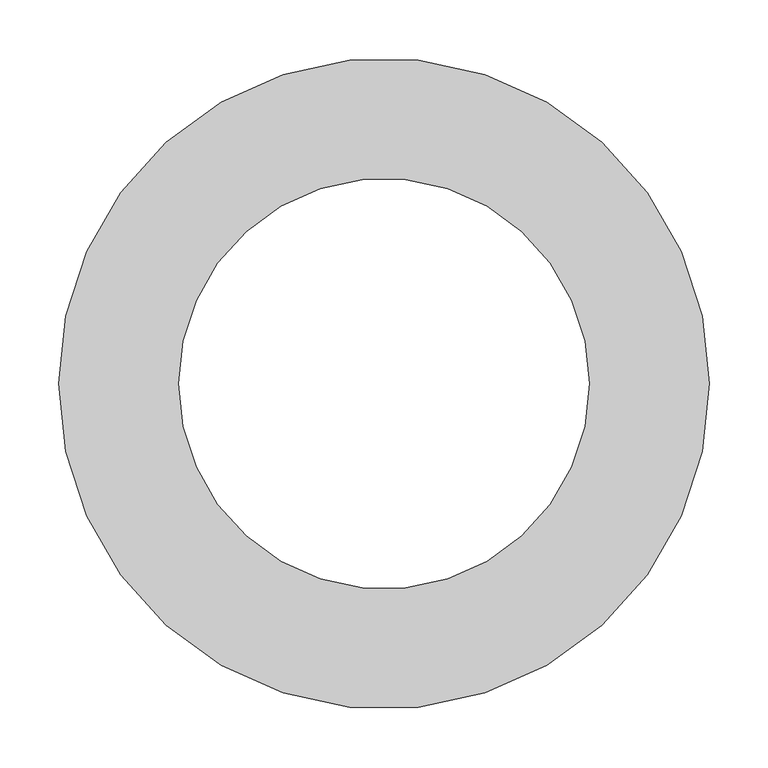
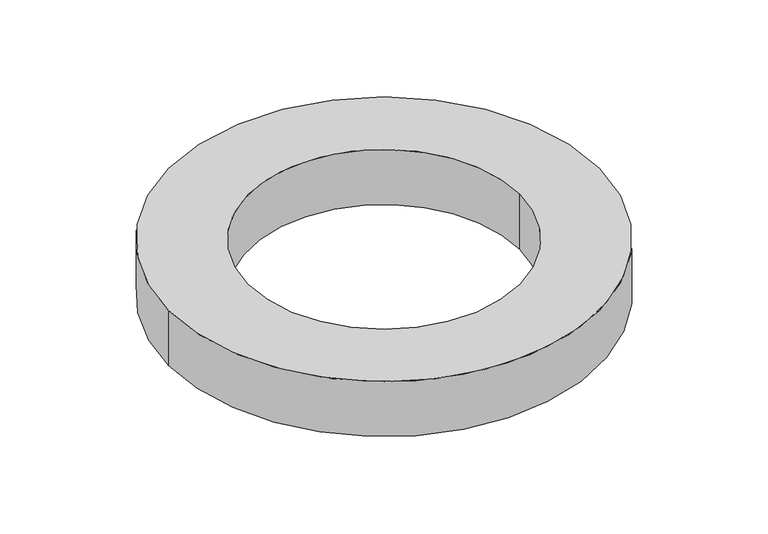
"""IFC4 building model written with IfcOpenShell, lengths in millimetres: furniture geometry."""

import ifcopenshell
import ifcopenshell.guid

model = None  # the IFC model being written
_history = None  # IfcOwnerHistory: only IFC2X3 demands one
_inside = {}  # id of a spatial element -> (the spatial element, [elements in it])
_under = {}  # id of a project, library or spatial element -> (it, [spatial elements below it])
_declared = {}  # id of a project -> (the project, [libraries it declares])
_typed = {}  # id of a type object -> (the type object, [elements of that type])
_made_of = {}  # id of a material, layer set ... -> (it, [elements and type objects made of it])


def new_model(schema):
    """Start an empty IFC model of exactly this schema.

    Asked for "IFC4X3", IfcOpenShell would pick the latest addendum, in which some entities
    have other attributes; the version numbers below select the first issue.
    IFC2X3 requires an IfcOwnerHistory on every rooted entity: one is made here for all.
    """
    global model, _history
    if schema == "IFC4X3":
        model = ifcopenshell.file(schema_version=(4, 3, 0, 0))
    else:
        model = ifcopenshell.file(schema=schema)
    _inside.clear()
    _under.clear()
    _declared.clear()
    _typed.clear()
    _made_of.clear()
    _history = None
    if model.schema == "IFC2X3":
        org = make("IfcOrganization", Name="unknown")
        user = make(
            "IfcPersonAndOrganization",
            ThePerson=make("IfcPerson", FamilyName="unknown"),
            TheOrganization=org,
        )
        app = make(
            "IfcApplication",
            ApplicationDeveloper=org,
            Version="unknown",
            ApplicationFullName="unknown",
            ApplicationIdentifier="unknown",
        )
        _history = make(
            "IfcOwnerHistory",
            OwningUser=user,
            OwningApplication=app,
            ChangeAction="ADDED",
            CreationDate=0,
        )
    return model


def make(cls, **values):
    """One entity of the class cls with the attributes given. An attribute that is None is left unset."""
    return model.create_entity(
        cls, **{name: value for name, value in values.items() if value is not None}
    )


def rooted(cls, **values):
    """An entity with a GlobalId (a new one), such as an element, a storey or a relation."""
    return make(cls, GlobalId=ifcopenshell.guid.new(), OwnerHistory=_history, **values)


def si_unit(unit_type, name, prefix=None):
    """IfcSIUnit, for example si_unit("LENGTHUNIT", "METRE", prefix="MILLI")."""
    return make("IfcSIUnit", UnitType=unit_type, Prefix=prefix, Name=name)


def assignment(units):
    """IfcUnitAssignment: the units of a project."""
    return None if units is None else make("IfcUnitAssignment", Units=units)


def point(xyz):
    """IfcCartesianPoint."""
    return None if xyz is None else make("IfcCartesianPoint", Coordinates=xyz)


def direction(xyz):
    """IfcDirection."""
    return None if xyz is None else make("IfcDirection", DirectionRatios=xyz)


def frame(location, z_axis=None, x_axis=None):
    """IfcAxis2Placement3D, a coordinate frame: its origin and axes. An axis left out is left unset."""
    return make(
        "IfcAxis2Placement3D",
        Location=point(location),
        Axis=direction(z_axis),
        RefDirection=direction(x_axis),
    )


def frame_2d(location, x_axis=None):
    """IfcAxis2Placement2D, a coordinate frame in the plane: its origin and x axis."""
    return make(
        "IfcAxis2Placement2D", Location=point(location), RefDirection=direction(x_axis)
    )


def origin():
    """The frame at (0, 0, 0) with its axes left unset."""
    return frame((0.0, 0.0, 0.0))


def origin_with_axes():
    """The frame at (0, 0, 0) with the z axis (0, 0, 1) and the x axis (1, 0, 0) written out."""
    return frame((0.0, 0.0, 0.0), z_axis=(0.0, 0.0, 1.0), x_axis=(1.0, 0.0, 0.0))


def origin_2d():
    """The frame at (0, 0) in the plane with its x axis left unset."""
    return frame_2d((0.0, 0.0))


def place(relative_to, where):
    """IfcLocalPlacement: puts the frame where relative to a parent placement (None: the world)."""
    return make(
        "IfcLocalPlacement", PlacementRelTo=relative_to, RelativePlacement=where
    )


def context(
    kind, dimensions, precision=None, world=None, true_north=None, identifier=None
):
    """IfcGeometricRepresentationContext, for example the 3D "Model" context."""
    return make(
        "IfcGeometricRepresentationContext",
        ContextIdentifier=identifier,
        ContextType=kind,
        CoordinateSpaceDimension=dimensions,
        Precision=precision,
        WorldCoordinateSystem=world,
        TrueNorth=true_north,
    )


def project(units=None, contexts=None):
    """IfcProject with its units and contexts."""
    return rooted(
        "IfcProject",
        Name="project",
        RepresentationContexts=contexts,
        UnitsInContext=assignment(units),
    )


def spatial(cls, under=None, at=None, **own):
    """A site, building, storey or space (cls), placed at a placement, below another one or the project."""
    s = rooted(cls, ObjectPlacement=at, **own)
    if under is not None:
        _under.setdefault(under.id(), (under, []))[1].append(s)
    return s


def circle_curve(where, radius):
    """IfcCircle in the frame where."""
    return make("IfcCircle", Position=where, Radius=radius)


def trimmed(basis, trim1, trim2, sense, master):
    """IfcTrimmedCurve: the piece of a basis curve between two trims."""
    return make(
        "IfcTrimmedCurve",
        BasisCurve=basis,
        Trim1=trim1,
        Trim2=trim2,
        SenseAgreement=sense,
        MasterRepresentation=master,
    )


def segment(curve, same_sense, transition):
    """IfcCompositeCurveSegment."""
    return make(
        "IfcCompositeCurveSegment",
        Transition=transition,
        SameSense=same_sense,
        ParentCurve=curve,
    )


def composite_curve(segments, self_intersect=None):
    """IfcCompositeCurve: segments joined end to end."""
    return make("IfcCompositeCurve", Segments=segments, SelfIntersect=self_intersect)


def outline(outer, holes=None, kind="AREA"):
    """IfcArbitraryClosedProfileDef: a profile drawn as a closed curve; with holes, ...WithVoids."""
    if holes is None:
        return make("IfcArbitraryClosedProfileDef", ProfileType=kind, OuterCurve=outer)
    return make(
        "IfcArbitraryProfileDefWithVoids",
        ProfileType=kind,
        OuterCurve=outer,
        InnerCurves=holes,
    )


def extrude(swept, where, along, depth):
    """IfcExtrudedAreaSolid: the profile swept, set in the frame where, extruded along a direction by depth."""
    return make(
        "IfcExtrudedAreaSolid",
        SweptArea=swept,
        Position=where,
        ExtrudedDirection=direction(along),
        Depth=depth,
    )


def shape(context_of_items, identifier, shape_type, items):
    """IfcShapeRepresentation: the items that make up one representation, for example the "Body"."""
    return make(
        "IfcShapeRepresentation",
        ContextOfItems=context_of_items,
        RepresentationIdentifier=identifier,
        RepresentationType=shape_type,
        Items=items,
    )


def source(mapping_origin, context_of_items, identifier, shape_type, items):
    """IfcRepresentationMap: a shape defined once, which mapped items show again and again."""
    return make(
        "IfcRepresentationMap",
        MappingOrigin=mapping_origin,
        MappedRepresentation=shape(context_of_items, identifier, shape_type, items),
    )


def transform(
    local_origin,
    x_axis=None,
    y_axis=None,
    z_axis=None,
    scale=None,
    scale2=None,
    scale3=None,
    uniform=True,
):
    """IfcCartesianTransformationOperator3D, or its non-uniform kind. x_axis, y_axis, z_axis: its Axis1, 2, 3."""
    if uniform:
        return make(
            "IfcCartesianTransformationOperator3D",
            Axis1=direction(x_axis),
            Axis2=direction(y_axis),
            LocalOrigin=point(local_origin),
            Scale=scale,
            Axis3=direction(z_axis),
        )
    return make(
        "IfcCartesianTransformationOperator3DnonUniform",
        Axis1=direction(x_axis),
        Axis2=direction(y_axis),
        LocalOrigin=point(local_origin),
        Scale=scale,
        Axis3=direction(z_axis),
        Scale2=scale2,
        Scale3=scale3,
    )


def mapped(mapping_source, mapping_target):
    """IfcMappedItem: shows the shape of a source again, moved by a transform."""
    return make(
        "IfcMappedItem", MappingSource=mapping_source, MappingTarget=mapping_target
    )


def made_of(thing, what):
    """Note that an element or type object is made of a material, layer set ...; save() writes the relation."""
    if what is not None:
        _made_of.setdefault(what.id(), (what, []))[1].append(thing)
    return thing


def element(
    cls,
    number,
    at=None,
    inside=None,
    cuts=None,
    type_object=None,
    material=None,
    context=None,
    identifier="Body",
    shape_type=None,
    held_by="IfcProductDefinitionShape",
    body=None,
    shapes=None,
    **own,
):
    """One element of the class cls, such as IfcWall. Its Tag is "e" and its number.

    at: its placement. inside: the storey or other place that contains it. cuts: it is an
    opening in that element (IfcRelVoidsElement). A single representation is given by context,
    identifier, shape_type and body (its items); several are given by shapes. held_by: the class
    of the entity that holds the representations. save() writes the other relations.
    """
    e = rooted(cls, Tag="e%d" % number, ObjectPlacement=at, **own)
    if body is not None:
        shapes = [shape(context, identifier, shape_type, body)]
    if shapes is not None:
        e.Representation = make(held_by, Representations=shapes)
    if inside is not None:
        _inside.setdefault(inside.id(), (inside, []))[1].append(e)
    if cuts is not None:
        rooted(
            "IfcRelVoidsElement", RelatingBuildingElement=cuts, RelatedOpeningElement=e
        )
    if type_object is not None:
        _typed.setdefault(type_object.id(), (type_object, []))[1].append(e)
    return made_of(e, material)


def aggregate(whole, parts):
    """IfcRelAggregates: a whole, such as a stair, and the parts it consists of."""
    return rooted("IfcRelAggregates", RelatingObject=whole, RelatedObjects=parts)


def save(model, path):
    """Write the relations noted so far, then the file.

    IfcRelAggregates (storeys below a building ...), IfcRelContainedInSpatialStructure (elements
    in a storey), IfcRelDefinesByType, IfcRelAssociatesMaterial and IfcRelDeclares: one each for
    every whole, place, type object, material and project.
    """
    for whole, parts in _under.values():
        aggregate(whole, parts)
    for where, things in _inside.values():
        rooted(
            "IfcRelContainedInSpatialStructure",
            RelatedElements=things,
            RelatingStructure=where,
        )
    for kind, things in _typed.values():
        rooted("IfcRelDefinesByType", RelatedObjects=things, RelatingType=kind)
    for what, things in _made_of.values():
        rooted("IfcRelAssociatesMaterial", RelatedObjects=things, RelatingMaterial=what)
    for by, libraries in _declared.values():
        rooted("IfcRelDeclares", RelatingContext=by, RelatedDefinitions=libraries)
    model.write(path)


def furniture_681e2f08(model_context):
    return source(origin(), model_context, "Body", "SweptSolid", [
        extrude(outline(composite_curve([segment(trimmed(circle_curve(origin_2d(), 277.5), [point((-277.5, 0.0))], [point((277.5, 0.0))], False, "CARTESIAN"), True, "CONTINUOUS"), segment(trimmed(circle_curve(origin_2d(), 277.5), [point((277.5, 0.0))], [point((-277.5, 0.0))], False, "CARTESIAN"), True, "CONTINUOUS")], self_intersect=False), holes=[composite_curve([segment(trimmed(circle_curve(origin_2d(), 175.0), [point((175.0, 0.0))], [point((-175.0, 0.0))], True, "CARTESIAN"), True, "CONTINUOUS"), segment(trimmed(circle_curve(origin_2d(), 175.0), [point((-175.0, 0.0))], [point((175.0, 0.0))], True, "CARTESIAN"), True, "CONTINUOUS")], self_intersect=False)]), origin_with_axes(), (0.0, 0.0, 1.0), 75.0),
    ])


if __name__ == "__main__":
    model = new_model("IFC4")
    model_context = context("Model", 3, world=origin())
    ifc_project = project(units=[si_unit("LENGTHUNIT", "METRE", prefix="MILLI")], contexts=[model_context])
    site = spatial("IfcSite", under=ifc_project)
    building = spatial("IfcBuilding", under=site)
    placement = place(None, origin())
    furniture_shape = furniture_681e2f08(model_context)
    element("IfcFurniture", 1, at=placement, inside=building, context=model_context, shape_type="MappedRepresentation", body=[
        mapped(furniture_shape, transform((0.0, 0.0, 0.0), x_axis=(1.0, 0.0, 0.0), y_axis=(0.0, 1.0, 0.0), z_axis=(0.0, 0.0, 1.0))),
    ])
    save(model, "model.ifc")
